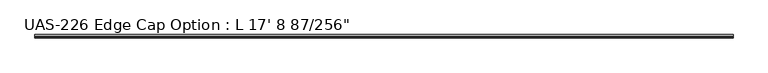
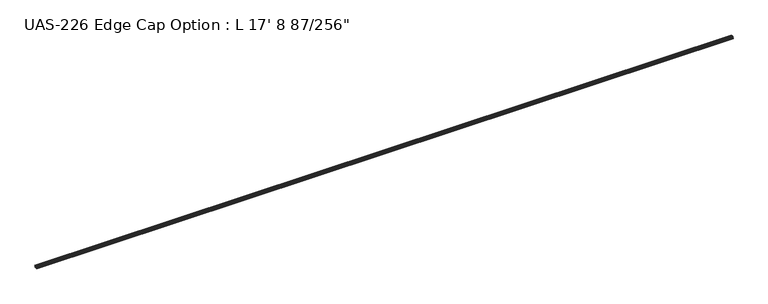
"""IFC4 building model written with IfcOpenShell, lengths in millimetres: proxy geometry."""

import ifcopenshell
import ifcopenshell.guid

model = None  # the IFC model being written
_history = None  # IfcOwnerHistory: only IFC2X3 demands one
_inside = {}  # id of a spatial element -> (the spatial element, [elements in it])
_under = {}  # id of a project, library or spatial element -> (it, [spatial elements below it])
_declared = {}  # id of a project -> (the project, [libraries it declares])
_typed = {}  # id of a type object -> (the type object, [elements of that type])
_made_of = {}  # id of a material, layer set ... -> (it, [elements and type objects made of it])


def new_model(schema):
    """Start an empty IFC model of exactly this schema.

    Asked for "IFC4X3", IfcOpenShell would pick the latest addendum, in which some entities
    have other attributes; the version numbers below select the first issue.
    IFC2X3 requires an IfcOwnerHistory on every rooted entity: one is made here for all.
    """
    global model, _history
    if schema == "IFC4X3":
        model = ifcopenshell.file(schema_version=(4, 3, 0, 0))
    else:
        model = ifcopenshell.file(schema=schema)
    _inside.clear()
    _under.clear()
    _declared.clear()
    _typed.clear()
    _made_of.clear()
    _history = None
    if model.schema == "IFC2X3":
        org = make("IfcOrganization", Name="unknown")
        user = make(
            "IfcPersonAndOrganization",
            ThePerson=make("IfcPerson", FamilyName="unknown"),
            TheOrganization=org,
        )
        app = make(
            "IfcApplication",
            ApplicationDeveloper=org,
            Version="unknown",
            ApplicationFullName="unknown",
            ApplicationIdentifier="unknown",
        )
        _history = make(
            "IfcOwnerHistory",
            OwningUser=user,
            OwningApplication=app,
            ChangeAction="ADDED",
            CreationDate=0,
        )
    return model


def make(cls, **values):
    """One entity of the class cls with the attributes given. An attribute that is None is left unset."""
    return model.create_entity(
        cls, **{name: value for name, value in values.items() if value is not None}
    )


def rooted(cls, **values):
    """An entity with a GlobalId (a new one), such as an element, a storey or a relation."""
    return make(cls, GlobalId=ifcopenshell.guid.new(), OwnerHistory=_history, **values)


def si_unit(unit_type, name, prefix=None):
    """IfcSIUnit, for example si_unit("LENGTHUNIT", "METRE", prefix="MILLI")."""
    return make("IfcSIUnit", UnitType=unit_type, Prefix=prefix, Name=name)


def assignment(units):
    """IfcUnitAssignment: the units of a project."""
    return None if units is None else make("IfcUnitAssignment", Units=units)


def point(xyz):
    """IfcCartesianPoint."""
    return None if xyz is None else make("IfcCartesianPoint", Coordinates=xyz)


def direction(xyz):
    """IfcDirection."""
    return None if xyz is None else make("IfcDirection", DirectionRatios=xyz)


def frame(location, z_axis=None, x_axis=None):
    """IfcAxis2Placement3D, a coordinate frame: its origin and axes. An axis left out is left unset."""
    return make(
        "IfcAxis2Placement3D",
        Location=point(location),
        Axis=direction(z_axis),
        RefDirection=direction(x_axis),
    )


def frame_2d(location, x_axis=None):
    """IfcAxis2Placement2D, a coordinate frame in the plane: its origin and x axis."""
    return make(
        "IfcAxis2Placement2D", Location=point(location), RefDirection=direction(x_axis)
    )


def origin():
    """The frame at (0, 0, 0) with its axes left unset."""
    return frame((0.0, 0.0, 0.0))


def place(relative_to, where):
    """IfcLocalPlacement: puts the frame where relative to a parent placement (None: the world)."""
    return make(
        "IfcLocalPlacement", PlacementRelTo=relative_to, RelativePlacement=where
    )


def context(
    kind, dimensions, precision=None, world=None, true_north=None, identifier=None
):
    """IfcGeometricRepresentationContext, for example the 3D "Model" context."""
    return make(
        "IfcGeometricRepresentationContext",
        ContextIdentifier=identifier,
        ContextType=kind,
        CoordinateSpaceDimension=dimensions,
        Precision=precision,
        WorldCoordinateSystem=world,
        TrueNorth=true_north,
    )


def project(units=None, contexts=None):
    """IfcProject with its units and contexts."""
    return rooted(
        "IfcProject",
        Name="project",
        RepresentationContexts=contexts,
        UnitsInContext=assignment(units),
    )


def spatial(cls, under=None, at=None, **own):
    """A site, building, storey or space (cls), placed at a placement, below another one or the project."""
    s = rooted(cls, ObjectPlacement=at, **own)
    if under is not None:
        _under.setdefault(under.id(), (under, []))[1].append(s)
    return s


def polyline(points):
    """IfcPolyline through the points."""
    return make("IfcPolyline", Points=[point(p) for p in points])


def circle_curve(where, radius):
    """IfcCircle in the frame where."""
    return make("IfcCircle", Position=where, Radius=radius)


def trimmed(basis, trim1, trim2, sense, master):
    """IfcTrimmedCurve: the piece of a basis curve between two trims."""
    return make(
        "IfcTrimmedCurve",
        BasisCurve=basis,
        Trim1=trim1,
        Trim2=trim2,
        SenseAgreement=sense,
        MasterRepresentation=master,
    )


def segment(curve, same_sense, transition):
    """IfcCompositeCurveSegment."""
    return make(
        "IfcCompositeCurveSegment",
        Transition=transition,
        SameSense=same_sense,
        ParentCurve=curve,
    )


def composite_curve(segments, self_intersect=None):
    """IfcCompositeCurve: segments joined end to end."""
    return make("IfcCompositeCurve", Segments=segments, SelfIntersect=self_intersect)


def outline(outer, holes=None, kind="AREA"):
    """IfcArbitraryClosedProfileDef: a profile drawn as a closed curve; with holes, ...WithVoids."""
    if holes is None:
        return make("IfcArbitraryClosedProfileDef", ProfileType=kind, OuterCurve=outer)
    return make(
        "IfcArbitraryProfileDefWithVoids",
        ProfileType=kind,
        OuterCurve=outer,
        InnerCurves=holes,
    )


def extrude(swept, where, along, depth):
    """IfcExtrudedAreaSolid: the profile swept, set in the frame where, extruded along a direction by depth."""
    return make(
        "IfcExtrudedAreaSolid",
        SweptArea=swept,
        Position=where,
        ExtrudedDirection=direction(along),
        Depth=depth,
    )


def shape(context_of_items, identifier, shape_type, items):
    """IfcShapeRepresentation: the items that make up one representation, for example the "Body"."""
    return make(
        "IfcShapeRepresentation",
        ContextOfItems=context_of_items,
        RepresentationIdentifier=identifier,
        RepresentationType=shape_type,
        Items=items,
    )


def source(mapping_origin, context_of_items, identifier, shape_type, items):
    """IfcRepresentationMap: a shape defined once, which mapped items show again and again."""
    return make(
        "IfcRepresentationMap",
        MappingOrigin=mapping_origin,
        MappedRepresentation=shape(context_of_items, identifier, shape_type, items),
    )


def transform(
    local_origin,
    x_axis=None,
    y_axis=None,
    z_axis=None,
    scale=None,
    scale2=None,
    scale3=None,
    uniform=True,
):
    """IfcCartesianTransformationOperator3D, or its non-uniform kind. x_axis, y_axis, z_axis: its Axis1, 2, 3."""
    if uniform:
        return make(
            "IfcCartesianTransformationOperator3D",
            Axis1=direction(x_axis),
            Axis2=direction(y_axis),
            LocalOrigin=point(local_origin),
            Scale=scale,
            Axis3=direction(z_axis),
        )
    return make(
        "IfcCartesianTransformationOperator3DnonUniform",
        Axis1=direction(x_axis),
        Axis2=direction(y_axis),
        LocalOrigin=point(local_origin),
        Scale=scale,
        Axis3=direction(z_axis),
        Scale2=scale2,
        Scale3=scale3,
    )


def mapped(mapping_source, mapping_target):
    """IfcMappedItem: shows the shape of a source again, moved by a transform."""
    return make(
        "IfcMappedItem", MappingSource=mapping_source, MappingTarget=mapping_target
    )


def made_of(thing, what):
    """Note that an element or type object is made of a material, layer set ...; save() writes the relation."""
    if what is not None:
        _made_of.setdefault(what.id(), (what, []))[1].append(thing)
    return thing


def element(
    cls,
    number,
    at=None,
    inside=None,
    cuts=None,
    type_object=None,
    material=None,
    context=None,
    identifier="Body",
    shape_type=None,
    held_by="IfcProductDefinitionShape",
    body=None,
    shapes=None,
    **own,
):
    """One element of the class cls, such as IfcWall. Its Tag is "e" and its number.

    at: its placement. inside: the storey or other place that contains it. cuts: it is an
    opening in that element (IfcRelVoidsElement). A single representation is given by context,
    identifier, shape_type and body (its items); several are given by shapes. held_by: the class
    of the entity that holds the representations. save() writes the other relations.
    """
    e = rooted(cls, Tag="e%d" % number, ObjectPlacement=at, **own)
    if body is not None:
        shapes = [shape(context, identifier, shape_type, body)]
    if shapes is not None:
        e.Representation = make(held_by, Representations=shapes)
    if inside is not None:
        _inside.setdefault(inside.id(), (inside, []))[1].append(e)
    if cuts is not None:
        rooted(
            "IfcRelVoidsElement", RelatingBuildingElement=cuts, RelatedOpeningElement=e
        )
    if type_object is not None:
        _typed.setdefault(type_object.id(), (type_object, []))[1].append(e)
    return made_of(e, material)


def aggregate(whole, parts):
    """IfcRelAggregates: a whole, such as a stair, and the parts it consists of."""
    return rooted("IfcRelAggregates", RelatingObject=whole, RelatedObjects=parts)


def save(model, path):
    """Write the relations noted so far, then the file.

    IfcRelAggregates (storeys below a building ...), IfcRelContainedInSpatialStructure (elements
    in a storey), IfcRelDefinesByType, IfcRelAssociatesMaterial and IfcRelDeclares: one each for
    every whole, place, type object, material and project.
    """
    for whole, parts in _under.values():
        aggregate(whole, parts)
    for where, things in _inside.values():
        rooted(
            "IfcRelContainedInSpatialStructure",
            RelatedElements=things,
            RelatingStructure=where,
        )
    for kind, things in _typed.values():
        rooted("IfcRelDefinesByType", RelatedObjects=things, RelatingType=kind)
    for what, things in _made_of.values():
        rooted("IfcRelAssociatesMaterial", RelatedObjects=things, RelatingMaterial=what)
    for by, libraries in _declared.values():
        rooted("IfcRelDeclares", RelatingContext=by, RelatedDefinitions=libraries)
    model.write(path)


def proxy_d6779bb0(model_context):
    return source(origin(), model_context, "Body", "SweptSolid", [
        extrude(outline(composite_curve([segment(polyline([(0.0, 14.2875), (0.0, 13.0669574)]), True, "CONTINUOUS"), segment(trimmed(circle_curve(frame_2d((-0.5981599, 13.0669574)), 0.5981599), [point((0.0, 13.0669574))], [point((-0.5981599, 12.4687975))], False, "CARTESIAN"), True, "CONTINUOUS"), segment(polyline([(-0.5981599, 12.4687975), (-1.3929204, 12.4687975), (-2.1509032, 12.7297919), (-2.9088859, 12.4687975), (-3.6668687, 12.7297919), (-4.4248515, 12.4687975), (-5.1828342, 12.7297919), (-5.940817, 12.4687975), (-6.798801, 12.7297919), (-7.5567838, 12.4687975), (-8.316831, 12.7), (-16.3871239, 12.7), (-16.3871239, 9.525), (-16.6422877, 8.6861831), (-16.6422877, 7.1888169), (-16.3871239, 6.35), (-16.3871239, 3.175), (-8.316831, 3.175), (-7.5567838, 3.4062025), (-6.798801, 3.1452081), (-5.940817, 3.4062025), (-5.1828342, 3.1452081), (-4.4248515, 3.4062025), (-3.6668687, 3.1452081), (-2.9088859, 3.4062025), (-2.1509032, 3.1452081), (-1.3929204, 3.4062025), (-0.5981599, 3.4062025)]), True, "CONTINUOUS"), segment(trimmed(circle_curve(frame_2d((-0.5981599, 2.8080426)), 0.5981599), [point((-0.5981599, 3.4062025))], [point((0.0, 2.8080426))], False, "CARTESIAN"), True, "CONTINUOUS"), segment(polyline([(0.0, 2.8080426), (0.0, 1.5875), (-12.2786739, 1.5875)]), True, "CONTINUOUS"), segment(trimmed(circle_curve(frame_2d((-13.8661739, 1.5875)), 1.5875), [point((-12.2786739, 1.5875))], [point((-15.4536739, 1.5875))], False, "CARTESIAN"), True, "CONTINUOUS"), segment(polyline([(-15.4536739, 1.5875), (-19.6319739, 1.5875)]), True, "CONTINUOUS"), segment(trimmed(circle_curve(frame_2d((-21.2067739, 1.5875)), 1.5748), [point((-19.6319739, 1.5875))], [point((-22.7815739, 1.5875))], False, "CARTESIAN"), True, "CONTINUOUS"), segment(polyline([(-22.7815739, 1.5875), (-26.9852739, 1.5875), (-26.9852739, 3.175), (-17.9111239, 3.175), (-17.9111239, 12.7), (-26.9852739, 12.7), (-26.9852739, 14.2875), (-22.7815739, 14.2875)]), True, "CONTINUOUS"), segment(trimmed(circle_curve(frame_2d((-21.2067739, 14.2875)), 1.5748), [point((-22.7815739, 14.2875))], [point((-19.6319739, 14.2875))], False, "CARTESIAN"), True, "CONTINUOUS"), segment(polyline([(-19.6319739, 14.2875), (-15.4536739, 14.2875)]), True, "CONTINUOUS"), segment(trimmed(circle_curve(frame_2d((-13.8661739, 14.2875)), 1.5875), [point((-15.4536739, 14.2875))], [point((-12.2786739, 14.2875))], False, "CARTESIAN"), True, "CONTINUOUS"), segment(polyline([(-12.2786739, 14.2875), (0.0, 14.2875)]), True, "CONTINUOUS")], self_intersect=False)), frame((0.0, 0.0, 0.0), z_axis=(1.0, 0.0, 0.0), x_axis=(0.0, 1.0, 0.0)), (0.0, 0.0, 1.0), 5393.4320313),
    ])


if __name__ == "__main__":
    model = new_model("IFC4")
    model_context = context("Model", 3, world=origin())
    ifc_project = project(units=[si_unit("LENGTHUNIT", "METRE", prefix="MILLI")], contexts=[model_context])
    site = spatial("IfcSite", under=ifc_project)
    building = spatial("IfcBuilding", under=site)
    placement = place(None, origin())
    proxy_shape = proxy_d6779bb0(model_context)
    element("IfcBuildingElementProxy", 1, Name="UAS-226 Edge Cap Option : L 17' 8 87/256\"", ObjectType="UAS-226 Edge Cap Option : L 17' 8 87/256\"", at=placement, inside=building, context=model_context, shape_type="MappedRepresentation", body=[
        mapped(proxy_shape, transform((0.0, 0.0, 0.0), x_axis=(1.0, 0.0, 0.0), y_axis=(0.0, 1.0, 0.0), z_axis=(0.0, 0.0, 1.0))),
    ])
    save(model, "model.ifc")
